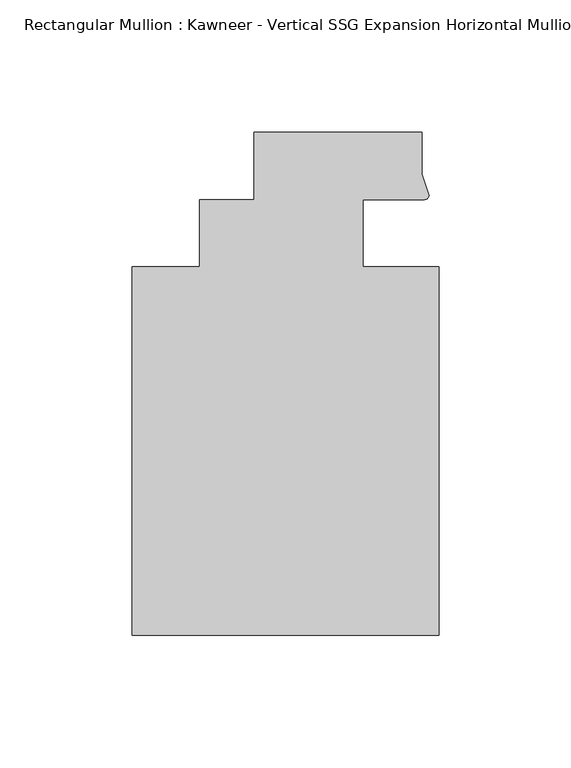
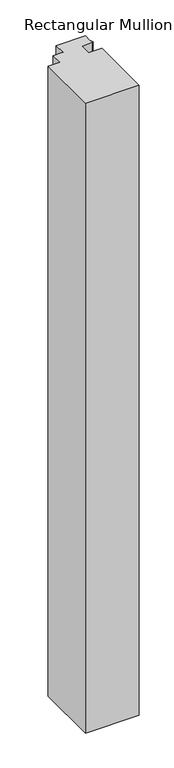
"""IFC4 building model written with IfcOpenShell, lengths in millimetres: member geometry."""

from ifc_helpers import new_model, si_unit, point, frame, frame_2d, origin, place, context, project, spatial, polyline, circle_curve, trimmed, segment, composite_curve, outline, extrude, source, transform, mapped, element, save


def member_8adf76c6(model_context):
    return source(origin(), model_context, "Body", "SweptSolid", [
        extrude(outline(composite_curve([segment(polyline([(48.2997293, 12.7000881), (25.0401592, 12.7000881), (25.0401592, -12.7), (53.615046, -12.7), (53.615046, -151.892), (-62.2957636, -151.892), (-62.2957636, -12.7), (-36.8958768, -12.7), (-36.8958768, 12.7), (-16.234954, 12.7), (-16.234954, 38.1), (47.265046, 38.1), (47.265046, 22.2250977), (49.9159011, 14.2884292)]), True, "CONTINUOUS"), segment(trimmed(circle_curve(frame_2d((48.2162832, 14.401412)), 1.703369), [point((49.9159011, 14.2884292))], [point((48.2997293, 12.7000881))], False, "CARTESIAN"), True, "CONTINUOUS")], self_intersect=False)), frame((0.0, 0.0, -1437.2055615), z_axis=(0.0, 0.0, 1.0), x_axis=(1.0, 0.0, 0.0)), (0.0, 0.0, 1.0), 1437.2055615),
    ])


if __name__ == "__main__":
    model = new_model("IFC4")
    model_context = context("Model", 3, world=origin())
    ifc_project = project(units=[si_unit("LENGTHUNIT", "METRE", prefix="MILLI")], contexts=[model_context])
    site = spatial("IfcSite", under=ifc_project)
    building = spatial("IfcBuilding", under=site)
    placement = place(None, origin())
    member_shape = member_8adf76c6(model_context)
    element("IfcMember", 1, ObjectType="Rectangular Mullion : Kawneer - Vertical SSG Expansion Horizontal Mullion - 7 1/2\"", at=placement, inside=building, context=model_context, shape_type="MappedRepresentation", body=[
        mapped(member_shape, transform((0.0, 0.0, 0.0), x_axis=(1.0, 0.0, 0.0), y_axis=(0.0, 1.0, 0.0), z_axis=(0.0, 0.0, 1.0))),
    ])
    save(model, "model.ifc")
